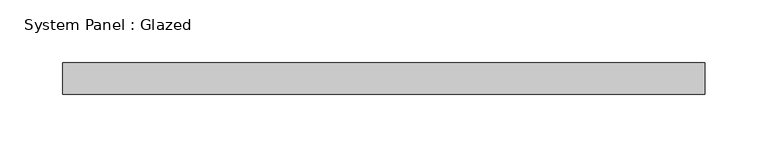
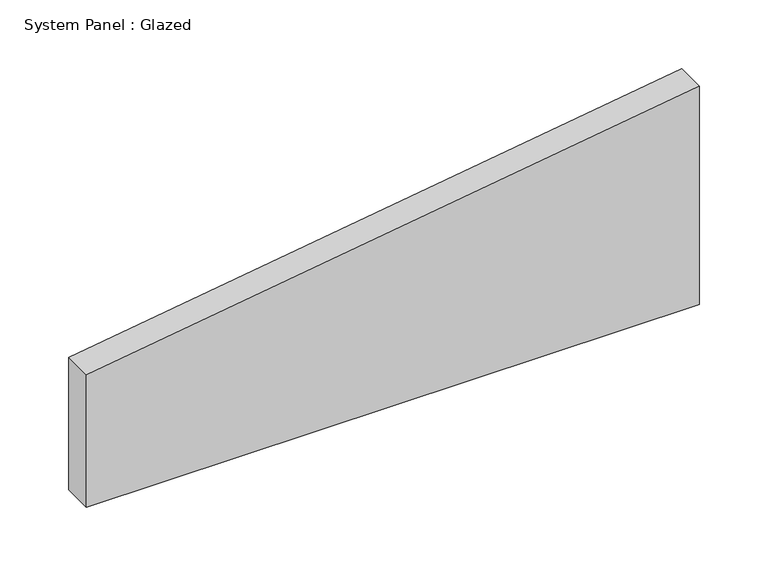
"""IFC4 building model written with IfcOpenShell, lengths in millimetres: plate geometry, System Panel : Glazed."""

from ifc_helpers import new_model, si_unit, frame, origin, place, context, project, spatial, polyline, outline, extrude, source, transform, mapped, element, save


def system_panel_glazed_851f374d(model_context):
    return source(origin(), model_context, "Body", "SweptSolid", [
        extrude(outline(polyline([(0.0, -257.1750248), (0.0, 257.1750248), (193.7724921, 257.1750248), (117.4780901, -257.1750248), (0.0, -257.1750248)])), frame((0.0, 19.05, 0.0), z_axis=(0.0, 1.0, 0.0), x_axis=(0.0, 0.0, 1.0)), (0.0, 0.0, 1.0), 25.4),
    ])


if __name__ == "__main__":
    model = new_model("IFC4")
    model_context = context("Model", 3, world=origin())
    ifc_project = project(units=[si_unit("LENGTHUNIT", "METRE", prefix="MILLI")], contexts=[model_context])
    site = spatial("IfcSite", under=ifc_project)
    building = spatial("IfcBuilding", under=site)
    placement = place(None, origin())
    system_panel_glazed_shape = system_panel_glazed_851f374d(model_context)
    element("IfcPlate", 1, ObjectType="System Panel : Glazed", at=placement, inside=building, context=model_context, shape_type="MappedRepresentation", body=[
        mapped(system_panel_glazed_shape, transform((0.0, 0.0, 0.0), x_axis=(1.0, 0.0, 0.0), y_axis=(0.0, 1.0, 0.0), z_axis=(0.0, 0.0, 1.0))),
    ])
    save(model, "model.ifc")
